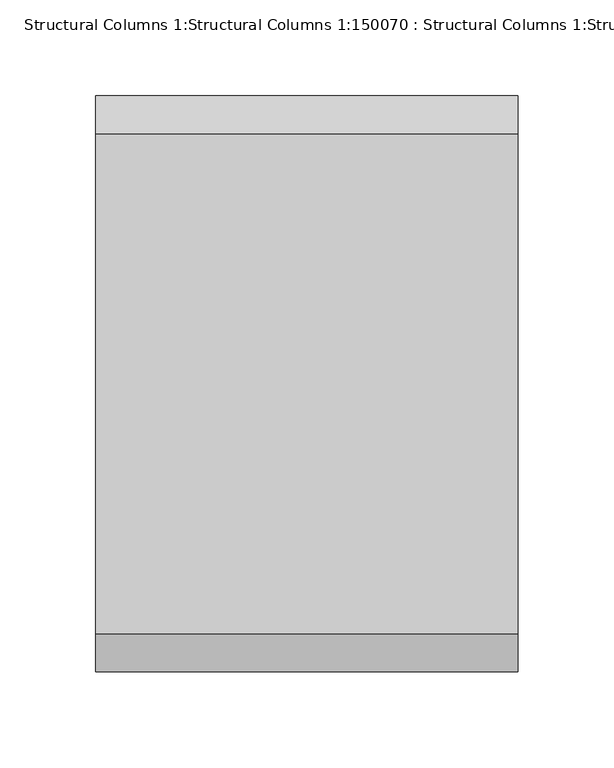
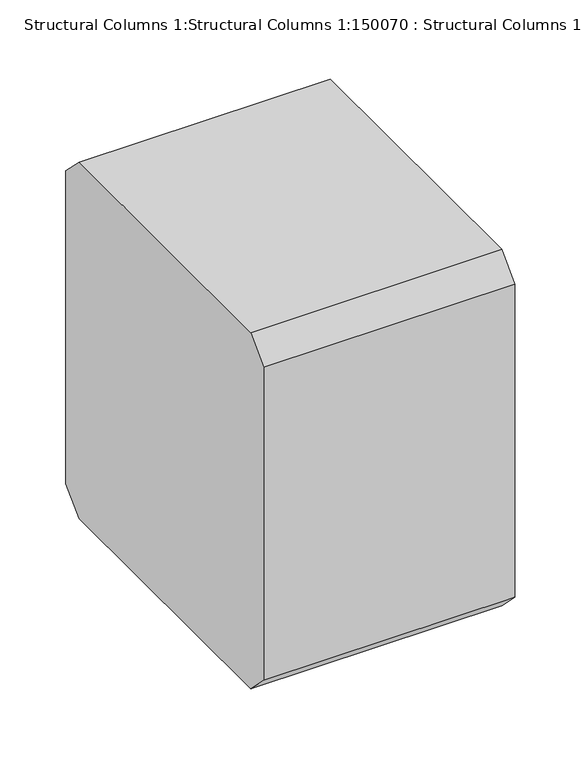
"""IFC4 building model written with IfcOpenShell, lengths in millimetres: column geometry, Structural Columns 1:Structural Columns 1:150070 : Structural Columns 1:Structural Columns 1:150070."""

from ifc_helpers import new_model, si_unit, frame, origin, place, context, project, spatial, polyline, outline, extrude, source, transform, mapped, element, save


def structural_columns_1_structural_columns_1_150070_structural_67a2b51f(model_context):
    return source(origin(), model_context, "Body", "SweptSolid", [
        extrude(outline(polyline([(-130.0, 2320.0), (-150.0, 2340.0), (-150.0, 2630.0), (-130.0, 2650.0), (130.0, 2650.0), (150.0, 2630.0), (150.0, 2340.0), (130.0, 2320.0), (-130.0, 2320.0)])), frame((130.0, 0.0, 0.0), z_axis=(1.0, 0.0, 0.0), x_axis=(0.0, 1.0, 0.0)), (0.0, 0.0, 1.0), 220.0),
    ])


if __name__ == "__main__":
    model = new_model("IFC4")
    model_context = context("Model", 3, world=origin())
    ifc_project = project(units=[si_unit("LENGTHUNIT", "METRE", prefix="MILLI")], contexts=[model_context])
    site = spatial("IfcSite", under=ifc_project)
    building = spatial("IfcBuilding", under=site)
    placement = place(None, origin())
    structural_columns_1_structural_columns_1_150070_structural_shape = structural_columns_1_structural_columns_1_150070_structural_67a2b51f(model_context)
    element("IfcColumn", 1, ObjectType="Structural Columns 1:Structural Columns 1:150070 : Structural Columns 1:Structural Columns 1:150070", at=placement, inside=building, context=model_context, shape_type="MappedRepresentation", body=[
        mapped(structural_columns_1_structural_columns_1_150070_structural_shape, transform((0.0, 0.0, 0.0), x_axis=(1.0, 0.0, 0.0), y_axis=(0.0, 1.0, 0.0), z_axis=(0.0, 0.0, 1.0))),
    ])
    save(model, "model.ifc")
